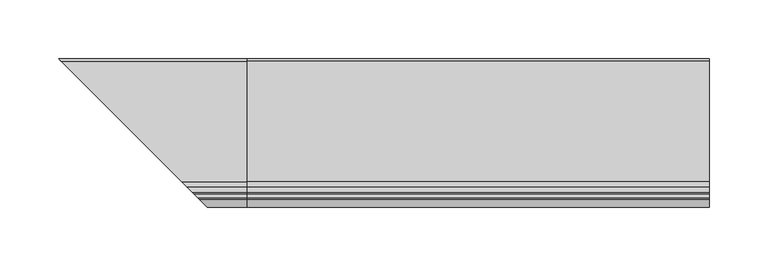
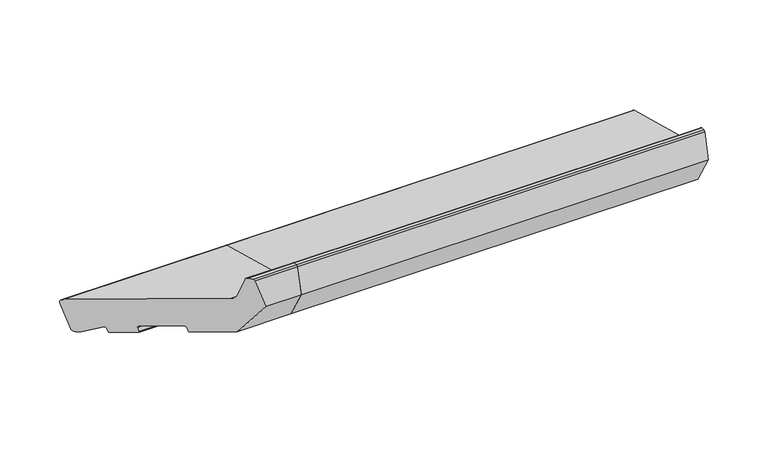
"""IFC4 building model written with IfcOpenShell, lengths in millimetres: proxy geometry."""

import ifcopenshell
import ifcopenshell.guid

model = None  # the IFC model being written
_history = None  # IfcOwnerHistory: only IFC2X3 demands one
_inside = {}  # id of a spatial element -> (the spatial element, [elements in it])
_under = {}  # id of a project, library or spatial element -> (it, [spatial elements below it])
_declared = {}  # id of a project -> (the project, [libraries it declares])
_typed = {}  # id of a type object -> (the type object, [elements of that type])
_made_of = {}  # id of a material, layer set ... -> (it, [elements and type objects made of it])


def new_model(schema):
    """Start an empty IFC model of exactly this schema.

    Asked for "IFC4X3", IfcOpenShell would pick the latest addendum, in which some entities
    have other attributes; the version numbers below select the first issue.
    IFC2X3 requires an IfcOwnerHistory on every rooted entity: one is made here for all.
    """
    global model, _history
    if schema == "IFC4X3":
        model = ifcopenshell.file(schema_version=(4, 3, 0, 0))
    else:
        model = ifcopenshell.file(schema=schema)
    _inside.clear()
    _under.clear()
    _declared.clear()
    _typed.clear()
    _made_of.clear()
    _history = None
    if model.schema == "IFC2X3":
        org = make("IfcOrganization", Name="unknown")
        user = make(
            "IfcPersonAndOrganization",
            ThePerson=make("IfcPerson", FamilyName="unknown"),
            TheOrganization=org,
        )
        app = make(
            "IfcApplication",
            ApplicationDeveloper=org,
            Version="unknown",
            ApplicationFullName="unknown",
            ApplicationIdentifier="unknown",
        )
        _history = make(
            "IfcOwnerHistory",
            OwningUser=user,
            OwningApplication=app,
            ChangeAction="ADDED",
            CreationDate=0,
        )
    return model


def make(cls, **values):
    """One entity of the class cls with the attributes given. An attribute that is None is left unset."""
    return model.create_entity(
        cls, **{name: value for name, value in values.items() if value is not None}
    )


def rooted(cls, **values):
    """An entity with a GlobalId (a new one), such as an element, a storey or a relation."""
    return make(cls, GlobalId=ifcopenshell.guid.new(), OwnerHistory=_history, **values)


def si_unit(unit_type, name, prefix=None):
    """IfcSIUnit, for example si_unit("LENGTHUNIT", "METRE", prefix="MILLI")."""
    return make("IfcSIUnit", UnitType=unit_type, Prefix=prefix, Name=name)


def assignment(units):
    """IfcUnitAssignment: the units of a project."""
    return None if units is None else make("IfcUnitAssignment", Units=units)


def point(xyz):
    """IfcCartesianPoint."""
    return None if xyz is None else make("IfcCartesianPoint", Coordinates=xyz)


def direction(xyz):
    """IfcDirection."""
    return None if xyz is None else make("IfcDirection", DirectionRatios=xyz)


def frame(location, z_axis=None, x_axis=None):
    """IfcAxis2Placement3D, a coordinate frame: its origin and axes. An axis left out is left unset."""
    return make(
        "IfcAxis2Placement3D",
        Location=point(location),
        Axis=direction(z_axis),
        RefDirection=direction(x_axis),
    )


def frame_2d(location, x_axis=None):
    """IfcAxis2Placement2D, a coordinate frame in the plane: its origin and x axis."""
    return make(
        "IfcAxis2Placement2D", Location=point(location), RefDirection=direction(x_axis)
    )


def origin():
    """The frame at (0, 0, 0) with its axes left unset."""
    return frame((0.0, 0.0, 0.0))


def place(relative_to, where):
    """IfcLocalPlacement: puts the frame where relative to a parent placement (None: the world)."""
    return make(
        "IfcLocalPlacement", PlacementRelTo=relative_to, RelativePlacement=where
    )


def context(
    kind, dimensions, precision=None, world=None, true_north=None, identifier=None
):
    """IfcGeometricRepresentationContext, for example the 3D "Model" context."""
    return make(
        "IfcGeometricRepresentationContext",
        ContextIdentifier=identifier,
        ContextType=kind,
        CoordinateSpaceDimension=dimensions,
        Precision=precision,
        WorldCoordinateSystem=world,
        TrueNorth=true_north,
    )


def project(units=None, contexts=None):
    """IfcProject with its units and contexts."""
    return rooted(
        "IfcProject",
        Name="project",
        RepresentationContexts=contexts,
        UnitsInContext=assignment(units),
    )


def spatial(cls, under=None, at=None, **own):
    """A site, building, storey or space (cls), placed at a placement, below another one or the project."""
    s = rooted(cls, ObjectPlacement=at, **own)
    if under is not None:
        _under.setdefault(under.id(), (under, []))[1].append(s)
    return s


def polyline(points):
    """IfcPolyline through the points."""
    return make("IfcPolyline", Points=[point(p) for p in points])


def circle_curve(where, radius):
    """IfcCircle in the frame where."""
    return make("IfcCircle", Position=where, Radius=radius)


def ellipse_curve(where, semi_axis1, semi_axis2):
    """IfcEllipse in the frame where."""
    return make(
        "IfcEllipse", Position=where, SemiAxis1=semi_axis1, SemiAxis2=semi_axis2
    )


def trimmed(basis, trim1, trim2, sense, master):
    """IfcTrimmedCurve: the piece of a basis curve between two trims."""
    return make(
        "IfcTrimmedCurve",
        BasisCurve=basis,
        Trim1=trim1,
        Trim2=trim2,
        SenseAgreement=sense,
        MasterRepresentation=master,
    )


def segment(curve, same_sense, transition):
    """IfcCompositeCurveSegment."""
    return make(
        "IfcCompositeCurveSegment",
        Transition=transition,
        SameSense=same_sense,
        ParentCurve=curve,
    )


def composite_curve(segments, self_intersect=None):
    """IfcCompositeCurve: segments joined end to end."""
    return make("IfcCompositeCurve", Segments=segments, SelfIntersect=self_intersect)


def outline(outer, holes=None, kind="AREA"):
    """IfcArbitraryClosedProfileDef: a profile drawn as a closed curve; with holes, ...WithVoids."""
    if holes is None:
        return make("IfcArbitraryClosedProfileDef", ProfileType=kind, OuterCurve=outer)
    return make(
        "IfcArbitraryProfileDefWithVoids",
        ProfileType=kind,
        OuterCurve=outer,
        InnerCurves=holes,
    )


def extrude(swept, where, along, depth):
    """IfcExtrudedAreaSolid: the profile swept, set in the frame where, extruded along a direction by depth."""
    return make(
        "IfcExtrudedAreaSolid",
        SweptArea=swept,
        Position=where,
        ExtrudedDirection=direction(along),
        Depth=depth,
    )


def shape(context_of_items, identifier, shape_type, items):
    """IfcShapeRepresentation: the items that make up one representation, for example the "Body"."""
    return make(
        "IfcShapeRepresentation",
        ContextOfItems=context_of_items,
        RepresentationIdentifier=identifier,
        RepresentationType=shape_type,
        Items=items,
    )


def source(mapping_origin, context_of_items, identifier, shape_type, items):
    """IfcRepresentationMap: a shape defined once, which mapped items show again and again."""
    return make(
        "IfcRepresentationMap",
        MappingOrigin=mapping_origin,
        MappedRepresentation=shape(context_of_items, identifier, shape_type, items),
    )


def transform(
    local_origin,
    x_axis=None,
    y_axis=None,
    z_axis=None,
    scale=None,
    scale2=None,
    scale3=None,
    uniform=True,
):
    """IfcCartesianTransformationOperator3D, or its non-uniform kind. x_axis, y_axis, z_axis: its Axis1, 2, 3."""
    if uniform:
        return make(
            "IfcCartesianTransformationOperator3D",
            Axis1=direction(x_axis),
            Axis2=direction(y_axis),
            LocalOrigin=point(local_origin),
            Scale=scale,
            Axis3=direction(z_axis),
        )
    return make(
        "IfcCartesianTransformationOperator3DnonUniform",
        Axis1=direction(x_axis),
        Axis2=direction(y_axis),
        LocalOrigin=point(local_origin),
        Scale=scale,
        Axis3=direction(z_axis),
        Scale2=scale2,
        Scale3=scale3,
    )


def mapped(mapping_source, mapping_target):
    """IfcMappedItem: shows the shape of a source again, moved by a transform."""
    return make(
        "IfcMappedItem", MappingSource=mapping_source, MappingTarget=mapping_target
    )


def made_of(thing, what):
    """Note that an element or type object is made of a material, layer set ...; save() writes the relation."""
    if what is not None:
        _made_of.setdefault(what.id(), (what, []))[1].append(thing)
    return thing


def element(
    cls,
    number,
    at=None,
    inside=None,
    cuts=None,
    type_object=None,
    material=None,
    context=None,
    identifier="Body",
    shape_type=None,
    held_by="IfcProductDefinitionShape",
    body=None,
    shapes=None,
    **own,
):
    """One element of the class cls, such as IfcWall. Its Tag is "e" and its number.

    at: its placement. inside: the storey or other place that contains it. cuts: it is an
    opening in that element (IfcRelVoidsElement). A single representation is given by context,
    identifier, shape_type and body (its items); several are given by shapes. held_by: the class
    of the entity that holds the representations. save() writes the other relations.
    """
    e = rooted(cls, Tag="e%d" % number, ObjectPlacement=at, **own)
    if body is not None:
        shapes = [shape(context, identifier, shape_type, body)]
    if shapes is not None:
        e.Representation = make(held_by, Representations=shapes)
    if inside is not None:
        _inside.setdefault(inside.id(), (inside, []))[1].append(e)
    if cuts is not None:
        rooted(
            "IfcRelVoidsElement", RelatingBuildingElement=cuts, RelatedOpeningElement=e
        )
    if type_object is not None:
        _typed.setdefault(type_object.id(), (type_object, []))[1].append(e)
    return made_of(e, material)


def aggregate(whole, parts):
    """IfcRelAggregates: a whole, such as a stair, and the parts it consists of."""
    return rooted("IfcRelAggregates", RelatingObject=whole, RelatedObjects=parts)


def save(model, path):
    """Write the relations noted so far, then the file.

    IfcRelAggregates (storeys below a building ...), IfcRelContainedInSpatialStructure (elements
    in a storey), IfcRelDefinesByType, IfcRelAssociatesMaterial and IfcRelDeclares: one each for
    every whole, place, type object, material and project.
    """
    for whole, parts in _under.values():
        aggregate(whole, parts)
    for where, things in _inside.values():
        rooted(
            "IfcRelContainedInSpatialStructure",
            RelatedElements=things,
            RelatingStructure=where,
        )
    for kind, things in _typed.values():
        rooted("IfcRelDefinesByType", RelatedObjects=things, RelatingType=kind)
    for what, things in _made_of.values():
        rooted("IfcRelAssociatesMaterial", RelatedObjects=things, RelatingMaterial=what)
    for by, libraries in _declared.values():
        rooted("IfcRelDeclares", RelatingContext=by, RelatedDefinitions=libraries)
    model.write(path)


def plane_surface(at):
    """IfcPlane: the flat surface through the origin of the frame at, square to its z axis."""
    return make("IfcPlane", Position=at)


def cylinder_surface(at, radius):
    """IfcCylindricalSurface: all points at the distance radius from the z axis of the frame at."""
    return make("IfcCylindricalSurface", Position=at, Radius=radius)


def revolved_surface(curve, axis_point, axis_direction):
    """IfcSurfaceOfRevolution: the curve turned about the line through axis_point along axis_direction."""
    return make(
        "IfcSurfaceOfRevolution",
        SweptCurve=make("IfcArbitraryOpenProfileDef", ProfileType="CURVE", Curve=curve),
        AxisPosition=make("IfcAxis1Placement", Location=point(axis_point), Axis=direction(axis_direction)),
    )


def advanced_brep(points, edges, surfaces, faces):
    """IfcAdvancedBrep: a solid bounded by faces that lie on surfaces and meet in shared edges.

    An edge is (start, end): straight between two places in points (the first is 0);
    or (start, end, curve); or (start, end, curve, False) where it runs against its curve.
    A face is (place in surfaces, loops), or (place, loops, False) where it looks against
    its surface's normal. A loop lists edges by number (the first is 1), with a minus sign
    where the edge is run from its end to its start. The first loop is the outer one.
    """
    corners = [point(p) for p in points]
    vertices = [make("IfcVertexPoint", VertexGeometry=c) for c in corners]
    made = []
    for start, end, *more in edges:
        made.append(
            make(
                "IfcEdgeCurve",
                EdgeStart=vertices[start],
                EdgeEnd=vertices[end],
                EdgeGeometry=more[0] if more else make("IfcPolyline", Points=[corners[start], corners[end]]),
                SameSense=more[1] if len(more) > 1 else True,
            )
        )
    hull = []
    for where, loops, *sense in faces:
        bounds = []
        for j, loop in enumerate(loops):
            ring = [make("IfcOrientedEdge", EdgeElement=made[abs(k) - 1], Orientation=k > 0) for k in loop]
            bounds.append(
                make(
                    "IfcFaceOuterBound" if j == 0 else "IfcFaceBound",
                    Bound=make("IfcEdgeLoop", EdgeList=ring),
                    Orientation=True,
                )
            )
        hull.append(make("IfcAdvancedFace", Bounds=bounds, FaceSurface=surfaces[where], SameSense=sense[0] if sense else True))
    return make("IfcAdvancedBrep", Outer=make("IfcClosedShell", CfsFaces=hull))


def generic_models_4be91677(model_context):
    return source(origin(), model_context, "Body", "SolidModel", [
        advanced_brep(
        [(0.0, 28.1351575, 11.0), (0.0, 34.8644526, 36.1140715), (0.0, 32.7431323, 39.7883061), (0.0, -70.1626434, 67.3618256), (0.0, -74.4052841, 71.6044663), (0.0, -79.1879801, 89.4537311), (0.0, -80.6368689, 90.5655025), (0.0, -83.9802434, 90.5655025), (0.0, -85.4291321, 89.4537311), (0.0, -92.0, 64.9309182), (0.0, -74.3223305, 34.3122964), (0.0, -45.3445557, 26.5477251), (0.0, -44.1198108, 27.2548319), (0.0, -43.0845346, 31.1185352), (0.0, -41.8597898, 31.8256419), (0.0, -13.8479408, 24.3198896), (0.0, -13.140834, 23.0951448), (0.0, -14.1761102, 19.2314415), (0.0, -13.4690034, 18.0066966), (0.0, 3.9176615, 13.3479538), (0.0, 5.1424063, 14.0550606), (0.0, 6.0916598, 17.5977226), (0.0, 7.5759156, 18.1940842), (0.0, 21.7441453, 9.606638), (0.0, 24.4609229, 8.8786797), (-154.1351575, 28.1351575, 11.0), (-160.8644526, 34.8644526, 36.1140715), (-158.7431323, 32.7431323, 39.7883061), (-55.8373566, -70.1626434, 67.3618256), (-51.5947159, -74.4052841, 71.6044663), (-46.8120199, -79.1879801, 89.4537311), (-45.3631311, -80.6368689, 90.5655025), (-42.0197566, -83.9802434, 90.5655025), (-40.5708679, -85.4291321, 89.4537311), (-34.0, -92.0, 64.9309182), (-51.6776695, -74.3223305, 34.3122964), (-80.6554443, -45.3445557, 26.5477251), (-81.8801892, -44.1198108, 27.2548319), (-82.9154654, -43.0845346, 31.1185352), (-84.1402102, -41.8597898, 31.8256419), (-112.1520592, -13.8479408, 24.3198896), (-112.859166, -13.140834, 23.0951448), (-111.8238898, -14.1761102, 19.2314415), (-112.5309966, -13.4690034, 18.0066966), (-129.9176615, 3.9176615, 13.3479538), (-131.1424063, 5.1424063, 14.0550606), (-132.0916598, 6.0916598, 17.5977226), (-133.5759156, 7.5759156, 18.1940842), (-147.7441453, 21.7441453, 9.606638), (-150.4609229, 24.4609229, 8.8786797)],
        [
            (0, 1),
            (1, 2, circle_curve(frame((0.0, 31.9666752, 36.8905286), z_axis=(1.0, 0.0, 0.0), x_axis=(0.0, 1.0, 0.0)), 3.0)),
            (2, 3),
            (3, 4, circle_curve(frame((0.0, -68.6097291, 73.1573805), z_axis=(-1.0, 0.0, 0.0), x_axis=(0.0, 1.0, 0.0)), 6.0)),
            (4, 5),
            (5, 6, circle_curve(frame((0.0, -80.6368689, 89.0655025), z_axis=(1.0, 0.0, 0.0), x_axis=(0.0, 1.0, 0.0)), 1.5)),
            (6, 7),
            (7, 8, circle_curve(frame((0.0, -83.9802434, 89.0655025), z_axis=(1.0, 0.0, 0.0), x_axis=(0.0, 1.0, 0.0)), 1.5)),
            (8, 9),
            (9, 10),
            (10, 11),
            (11, 12, circle_curve(frame((0.0, -45.0857366, 27.5136509), z_axis=(1.0, 0.0, 0.0), x_axis=(0.0, 1.0, 0.0)), 1.0)),
            (12, 13),
            (13, 14, circle_curve(frame((0.0, -42.1186088, 30.8597161), z_axis=(-1.0, 0.0, 0.0), x_axis=(0.0, 1.0, 0.0)), 1.0)),
            (14, 15),
            (15, 16, circle_curve(frame((0.0, -14.1067598, 23.3539638), z_axis=(-1.0, 0.0, 0.0), x_axis=(0.0, 1.0, 0.0)), 1.0)),
            (16, 17),
            (17, 18, circle_curve(frame((0.0, -13.2101844, 18.9726224), z_axis=(1.0, 0.0, 0.0), x_axis=(0.0, 1.0, 0.0)), 1.0)),
            (18, 19),
            (19, 20, circle_curve(frame((0.0, 4.1764805, 14.3138796), z_axis=(1.0, 0.0, 0.0), x_axis=(0.0, 1.0, 0.0)), 1.0)),
            (20, 21),
            (21, 22, circle_curve(frame((0.0, 7.0575856, 17.3389035), z_axis=(-1.0, 0.0, 0.0), x_axis=(0.0, 1.0, 0.0)), 1.0)),
            (22, 23),
            (23, 24),
            (24, 0, circle_curve(frame((0.0, 25.23738, 11.7764571), z_axis=(1.0, 0.0, 0.0), x_axis=(0.0, 1.0, 0.0)), 3.0)),
            (0, 25),
            (25, 26),
            (26, 1),
            (26, 27, ellipse_curve(frame((-157.9666752, 31.9666752, 36.8905286), z_axis=(0.707106781186548, 0.7071067811865471, 0.0), x_axis=(-0.707106781186547, 0.707106781186548, 0.0)), 4.2426407, 3.0)),
            (27, 2),
            (27, 28),
            (28, 3),
            (28, 29, ellipse_curve(frame((-57.3902709, -68.6097291, 73.1573805), z_axis=(-0.707106781186548, -0.7071067811865471, 0.0), x_axis=(0.707106781186547, -0.707106781186548, 0.0)), 8.4852814, 6.0)),
            (29, 4),
            (29, 30),
            (30, 5),
            (30, 31, ellipse_curve(frame((-45.3631311, -80.6368689, 89.0655025), z_axis=(0.707106781186548, 0.7071067811865471, 0.0), x_axis=(-0.707106781186547, 0.707106781186548, 0.0)), 2.1213203, 1.5)),
            (31, 6),
            (31, 32),
            (32, 7),
            (32, 33, ellipse_curve(frame((-42.0197566, -83.9802434, 89.0655025), z_axis=(0.707106781186548, 0.7071067811865471, 0.0), x_axis=(-0.707106781186547, 0.707106781186548, 0.0)), 2.1213203, 1.5)),
            (33, 8),
            (33, 34),
            (34, 9),
            (34, 35),
            (35, 10),
            (35, 36),
            (36, 11),
            (36, 37, ellipse_curve(frame((-80.9142634, -45.0857366, 27.5136509), z_axis=(0.707106781186548, 0.7071067811865471, 0.0), x_axis=(-0.707106781186547, 0.707106781186548, 0.0)), 1.4142136, 1.0)),
            (37, 12),
            (37, 38),
            (38, 13),
            (38, 39, ellipse_curve(frame((-83.8813912, -42.1186088, 30.8597161), z_axis=(-0.707106781186548, -0.7071067811865471, 0.0), x_axis=(0.707106781186547, -0.707106781186548, 0.0)), 1.4142136, 1.0)),
            (39, 14),
            (39, 40),
            (40, 15),
            (40, 41, ellipse_curve(frame((-111.8932402, -14.1067598, 23.3539638), z_axis=(-0.707106781186548, -0.7071067811865471, 0.0), x_axis=(0.707106781186547, -0.707106781186548, 0.0)), 1.4142136, 1.0)),
            (41, 16),
            (41, 42),
            (42, 17),
            (42, 43, ellipse_curve(frame((-112.7898156, -13.2101844, 18.9726224), z_axis=(0.707106781186548, 0.7071067811865471, 0.0), x_axis=(-0.707106781186547, 0.707106781186548, 0.0)), 1.4142136, 1.0)),
            (43, 18),
            (43, 44),
            (44, 19),
            (44, 45, ellipse_curve(frame((-130.1764805, 4.1764805, 14.3138796), z_axis=(0.707106781186548, 0.7071067811865471, 0.0), x_axis=(-0.707106781186547, 0.707106781186548, 0.0)), 1.4142136, 1.0)),
            (45, 20),
            (45, 46),
            (46, 21),
            (46, 47, ellipse_curve(frame((-133.0575856, 7.0575856, 17.3389035), z_axis=(-0.707106781186548, -0.7071067811865471, 0.0), x_axis=(0.707106781186547, -0.707106781186548, 0.0)), 1.4142136, 1.0)),
            (47, 22),
            (47, 48),
            (48, 23),
            (24, 49),
            (49, 25, ellipse_curve(frame((-151.23738, 25.23738, 11.7764571), z_axis=(0.707106781186548, 0.7071067811865471, 0.0), x_axis=(-0.707106781186547, 0.707106781186548, 0.0)), 4.2426407, 3.0)),
            (48, 49),
        ],
        [
            plane_surface(frame((0.0, 0.0, 0.0), z_axis=(1.0, 0.0, 0.0), x_axis=(0.0, 0.0, 1.0))),
            plane_surface(frame((-161.3741644, 34.8644526, 36.1140715), z_axis=(0.0, 0.9659258262890686, -0.2588190451025195), x_axis=(1.0, 0.0, 0.0))),
            cylinder_surface(frame((-161.3741644, 31.9666752, 36.8905286), z_axis=(-1.0, 0.0, 0.0), x_axis=(0.0, 1.0, 0.0)), 3.0),
            plane_surface(frame((-161.3741644, -70.1626434, 67.3618256), z_axis=(0.0, 0.25881904510252063, 0.9659258262890683), x_axis=(1.0, 0.0, 0.0))),
            revolved_surface(polyline([(0.0, -62.609729099999996, 73.1573805), (-63.39027091821606, -62.609729099999996, 73.1573805)]), (-161.3741644, -68.6097291, 73.1573805), (1.0, 0.0, 0.0)),
            plane_surface(frame((-161.3741644, -79.1879801, 89.4537311), z_axis=(0.0, 0.9659258262890666, 0.258819045102527), x_axis=(1.0, 0.0, 0.0))),
            cylinder_surface(frame((-161.3741644, -80.6368689, 89.0655025), z_axis=(-1.0, 0.0, 0.0), x_axis=(0.0, 1.0, 0.0)), 1.5),
            plane_surface(frame((-161.3741644, -83.9802434, 90.5655025), z_axis=(0.0, 0.0, 1.0), x_axis=(1.0, 0.0, 0.0))),
            cylinder_surface(frame((-161.3741644, -83.9802434, 89.0655025), z_axis=(-1.0, 0.0, 0.0), x_axis=(0.0, 1.0, 0.0)), 1.5),
            plane_surface(frame((-161.3741644, -92.0, 64.9309182), z_axis=(0.0, -0.9659258262890682, 0.25881904510252096), x_axis=(1.0, 0.0, 0.0))),
            plane_surface(frame((-161.3741644, -74.3223305, 34.3122964), z_axis=(0.0, -0.8660254037844386, -0.5000000000000002), x_axis=(1.0, 0.0, 0.0))),
            plane_surface(frame((-161.3741644, -45.3445557, 26.5477251), z_axis=(0.0, -0.2588190451025206, -0.9659258262890683), x_axis=(1.0, 0.0, 0.0))),
            cylinder_surface(frame((-161.3741644, -45.0857366, 27.5136509), z_axis=(-1.0, 0.0, 0.0), x_axis=(0.0, 1.0, 0.0)), 1.0),
            plane_surface(frame((-161.3741644, -43.0845346, 31.1185352), z_axis=(0.0, 0.9659258262890698, -0.2588190451025152), x_axis=(1.0, 0.0, 0.0))),
            revolved_surface(polyline([(0.0, -41.1186088, 30.8597161), (-84.88139122660624, -41.1186088, 30.8597161)]), (-161.3741644, -42.1186088, 30.8597161), (1.0, 0.0, 0.0)),
            plane_surface(frame((-161.3741644, -13.8479408, 24.3198896), z_axis=(0.0, -0.2588190451025199, -0.9659258262890685), x_axis=(1.0, 0.0, 0.0))),
            revolved_surface(polyline([(0.0, -13.1067598, 23.3539638), (-112.89324022660622, -13.1067598, 23.3539638)]), (-161.3741644, -14.1067598, 23.3539638), (1.0, 0.0, 0.0)),
            plane_surface(frame((-161.3741644, -14.1761102, 19.2314415), z_axis=(0.0, -0.9659258262890702, 0.25881904510251375), x_axis=(1.0, 0.0, 0.0))),
            cylinder_surface(frame((-161.3741644, -13.2101844, 18.9726224), z_axis=(-1.0, 0.0, 0.0), x_axis=(0.0, 1.0, 0.0)), 1.0),
            plane_surface(frame((-161.3741644, 3.9176615, 13.3479538), z_axis=(0.0, -0.2588190451025191, -0.9659258262890688), x_axis=(1.0, 0.0, 0.0))),
            cylinder_surface(frame((-161.3741644, 4.1764805, 14.3138796), z_axis=(-1.0, 0.0, 0.0), x_axis=(0.0, 1.0, 0.0)), 1.0),
            plane_surface(frame((-161.3741644, 6.0916598, 17.5977226), z_axis=(0.0, 0.9659258262890679, -0.2588190451025223), x_axis=(1.0, 0.0, 0.0))),
            revolved_surface(polyline([(0.0, 8.0575856, 17.3389035), (-134.05758562660625, 8.0575856, 17.3389035)]), (-161.3741644, 7.0575856, 17.3389035), (1.0, 0.0, 0.0)),
            plane_surface(frame((-161.3741644, 21.7441453, 9.606638), z_axis=(0.0, -0.5183299834329754, -0.855180699194253), x_axis=(1.0, 0.0, 0.0))),
            cylinder_surface(frame((-161.3741644, 25.23738, 11.7764571), z_axis=(-1.0, 0.0, 0.0), x_axis=(0.0, 1.0, 0.0)), 3.0),
            plane_surface(frame((-161.3741644, 24.4609229, 8.8786797), z_axis=(0.0, -0.25881904510252585, -0.9659258262890669), x_axis=(1.0, 0.0, 0.0))),
            plane_surface(frame((-107.2045815, -18.7954185, 0.0), z_axis=(-0.707106781186548, -0.7071067811865471, 0.0), x_axis=(0.0, 0.0, 1.0))),
        ],
        [
            (0, [[1, 2, 3, 4, 5, 6, 7, 8, 9, 10, 11, 12, 13, 14, 15, 16, 17, 18, 19, 20, 21, 22, 23, 24, 25]]),
            (1, [[-1, 26, 27, 28]]),
            (2, [[-2, -28, 29, 30]]),
            (3, [[-3, -30, 31, 32]]),
            (4, [[-4, -32, 33, 34]]),
            (5, [[-5, -34, 35, 36]]),
            (6, [[-6, -36, 37, 38]]),
            (7, [[-7, -38, 39, 40]]),
            (8, [[-8, -40, 41, 42]]),
            (9, [[-9, -42, 43, 44]]),
            (10, [[-10, -44, 45, 46]]),
            (11, [[-11, -46, 47, 48]]),
            (12, [[-12, -48, 49, 50]]),
            (13, [[-13, -50, 51, 52]]),
            (14, [[-14, -52, 53, 54]]),
            (15, [[-15, -54, 55, 56]]),
            (16, [[-16, -56, 57, 58]]),
            (17, [[-17, -58, 59, 60]]),
            (18, [[-18, -60, 61, 62]]),
            (19, [[-19, -62, 63, 64]]),
            (20, [[-20, -64, 65, 66]]),
            (21, [[-21, -66, 67, 68]]),
            (22, [[-22, -68, 69, 70]]),
            (23, [[-23, -70, 71, 72]]),
            (24, [[-25, 73, 74, -26]]),
            (25, [[-24, -72, 75, -73]]),
            (26, [[-27, -74, -75, -71, -69, -67, -65, -63, -61, -59, -57, -55, -53, -51, -49, -47, -45, -43, -41, -39, -37, -35, -33, -31, -29]]),
        ],
    ),
        extrude(outline(composite_curve([segment(trimmed(circle_curve(frame_2d((25.23738, 11.7764571)), 3.0), [point((28.1351575, 11.0))], [point((24.4609229, 8.8786797))], False, "CARTESIAN"), True, "CONTINUOUS"), segment(polyline([(24.4609229, 8.8786797), (21.7441453, 9.606638), (7.5759156, 18.1940842)]), True, "CONTINUOUS"), segment(trimmed(circle_curve(frame_2d((7.0575856, 17.3389035)), 1.0), [point((7.5759156, 18.1940842))], [point((6.0916598, 17.5977226))], True, "CARTESIAN"), True, "CONTINUOUS"), segment(polyline([(6.0916598, 17.5977226), (5.1424063, 14.0550606)]), True, "CONTINUOUS"), segment(trimmed(circle_curve(frame_2d((4.1764805, 14.3138796)), 1.0), [point((5.1424063, 14.0550606))], [point((3.9176615, 13.3479538))], False, "CARTESIAN"), True, "CONTINUOUS"), segment(polyline([(3.9176615, 13.3479538), (-13.4690034, 18.0066966)]), True, "CONTINUOUS"), segment(trimmed(circle_curve(frame_2d((-13.2101844, 18.9726224)), 1.0), [point((-13.4690034, 18.0066966))], [point((-14.1761102, 19.2314415))], False, "CARTESIAN"), True, "CONTINUOUS"), segment(polyline([(-14.1761102, 19.2314415), (-13.140834, 23.0951448)]), True, "CONTINUOUS"), segment(trimmed(circle_curve(frame_2d((-14.1067598, 23.3539638)), 1.0), [point((-13.140834, 23.0951448))], [point((-13.8479408, 24.3198896))], True, "CARTESIAN"), True, "CONTINUOUS"), segment(polyline([(-13.8479408, 24.3198896), (-41.8597898, 31.8256419)]), True, "CONTINUOUS"), segment(trimmed(circle_curve(frame_2d((-42.1186088, 30.8597161)), 1.0), [point((-41.8597898, 31.8256419))], [point((-43.0845346, 31.1185352))], True, "CARTESIAN"), True, "CONTINUOUS"), segment(polyline([(-43.0845346, 31.1185352), (-44.1198108, 27.2548319)]), True, "CONTINUOUS"), segment(trimmed(circle_curve(frame_2d((-45.0857366, 27.5136509)), 1.0), [point((-44.1198108, 27.2548319))], [point((-45.3445557, 26.5477251))], False, "CARTESIAN"), True, "CONTINUOUS"), segment(polyline([(-45.3445557, 26.5477251), (-74.3223305, 34.3122964), (-92.0, 64.9309182), (-85.4291321, 89.4537311)]), True, "CONTINUOUS"), segment(trimmed(circle_curve(frame_2d((-83.9802434, 89.0655025)), 1.5), [point((-85.4291321, 89.4537311))], [point((-83.9802434, 90.5655025))], False, "CARTESIAN"), True, "CONTINUOUS"), segment(polyline([(-83.9802434, 90.5655025), (-80.6368689, 90.5655025)]), True, "CONTINUOUS"), segment(trimmed(circle_curve(frame_2d((-80.6368689, 89.0655025)), 1.5), [point((-80.6368689, 90.5655025))], [point((-79.1879801, 89.4537311))], False, "CARTESIAN"), True, "CONTINUOUS"), segment(polyline([(-79.1879801, 89.4537311), (-74.4052841, 71.6044663)]), True, "CONTINUOUS"), segment(trimmed(circle_curve(frame_2d((-68.6097291, 73.1573805)), 6.0), [point((-74.4052841, 71.6044663))], [point((-70.1626434, 67.3618256))], True, "CARTESIAN"), True, "CONTINUOUS"), segment(polyline([(-70.1626434, 67.3618256), (32.7431323, 39.7883061)]), True, "CONTINUOUS"), segment(trimmed(circle_curve(frame_2d((31.9666752, 36.8905286)), 3.0), [point((32.7431323, 39.7883061))], [point((34.8644526, 36.1140715))], False, "CARTESIAN"), True, "CONTINUOUS"), segment(polyline([(34.8644526, 36.1140715), (28.1351575, 11.0)]), True, "CONTINUOUS")], self_intersect=False)), frame((0.0, 0.0, 0.0), z_axis=(1.0, 0.0, 0.0), x_axis=(0.0, 1.0, 0.0)), (0.0, 0.0, 1.0), 395.0),
    ])


if __name__ == "__main__":
    model = new_model("IFC4")
    model_context = context("Model", 3, world=origin())
    ifc_project = project(units=[si_unit("LENGTHUNIT", "METRE", prefix="MILLI")], contexts=[model_context])
    site = spatial("IfcSite", under=ifc_project)
    building = spatial("IfcBuilding", under=site)
    placement = place(None, origin())
    generic_models_shape = generic_models_4be91677(model_context)
    element("IfcBuildingElementProxy", 1, Name="Generic Models", at=placement, inside=building, context=model_context, shape_type="MappedRepresentation", body=[
        mapped(generic_models_shape, transform((0.0, 0.0, 0.0), x_axis=(1.0, 0.0, 0.0), y_axis=(0.0, 1.0, 0.0), z_axis=(0.0, 0.0, 1.0))),
    ])
    save(model, "model.ifc")
